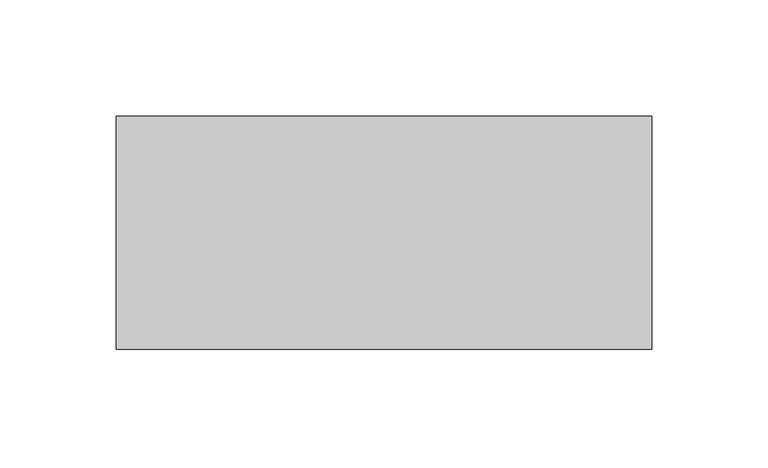
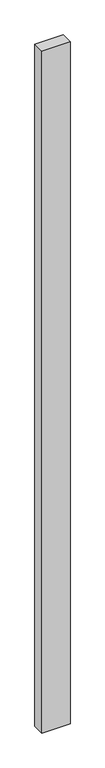
"""IFC4 building model written with IfcOpenShell, lengths in millimetres: proxy geometry."""

import ifcopenshell
import ifcopenshell.guid

model = None  # the IFC model being written
_history = None  # IfcOwnerHistory: only IFC2X3 demands one
_inside = {}  # id of a spatial element -> (the spatial element, [elements in it])
_under = {}  # id of a project, library or spatial element -> (it, [spatial elements below it])
_declared = {}  # id of a project -> (the project, [libraries it declares])
_typed = {}  # id of a type object -> (the type object, [elements of that type])
_made_of = {}  # id of a material, layer set ... -> (it, [elements and type objects made of it])


def new_model(schema):
    """Start an empty IFC model of exactly this schema.

    Asked for "IFC4X3", IfcOpenShell would pick the latest addendum, in which some entities
    have other attributes; the version numbers below select the first issue.
    IFC2X3 requires an IfcOwnerHistory on every rooted entity: one is made here for all.
    """
    global model, _history
    if schema == "IFC4X3":
        model = ifcopenshell.file(schema_version=(4, 3, 0, 0))
    else:
        model = ifcopenshell.file(schema=schema)
    _inside.clear()
    _under.clear()
    _declared.clear()
    _typed.clear()
    _made_of.clear()
    _history = None
    if model.schema == "IFC2X3":
        org = make("IfcOrganization", Name="unknown")
        user = make(
            "IfcPersonAndOrganization",
            ThePerson=make("IfcPerson", FamilyName="unknown"),
            TheOrganization=org,
        )
        app = make(
            "IfcApplication",
            ApplicationDeveloper=org,
            Version="unknown",
            ApplicationFullName="unknown",
            ApplicationIdentifier="unknown",
        )
        _history = make(
            "IfcOwnerHistory",
            OwningUser=user,
            OwningApplication=app,
            ChangeAction="ADDED",
            CreationDate=0,
        )
    return model


def make(cls, **values):
    """One entity of the class cls with the attributes given. An attribute that is None is left unset."""
    return model.create_entity(
        cls, **{name: value for name, value in values.items() if value is not None}
    )


def rooted(cls, **values):
    """An entity with a GlobalId (a new one), such as an element, a storey or a relation."""
    return make(cls, GlobalId=ifcopenshell.guid.new(), OwnerHistory=_history, **values)


def si_unit(unit_type, name, prefix=None):
    """IfcSIUnit, for example si_unit("LENGTHUNIT", "METRE", prefix="MILLI")."""
    return make("IfcSIUnit", UnitType=unit_type, Prefix=prefix, Name=name)


def assignment(units):
    """IfcUnitAssignment: the units of a project."""
    return None if units is None else make("IfcUnitAssignment", Units=units)


def point(xyz):
    """IfcCartesianPoint."""
    return None if xyz is None else make("IfcCartesianPoint", Coordinates=xyz)


def direction(xyz):
    """IfcDirection."""
    return None if xyz is None else make("IfcDirection", DirectionRatios=xyz)


def frame(location, z_axis=None, x_axis=None):
    """IfcAxis2Placement3D, a coordinate frame: its origin and axes. An axis left out is left unset."""
    return make(
        "IfcAxis2Placement3D",
        Location=point(location),
        Axis=direction(z_axis),
        RefDirection=direction(x_axis),
    )


def origin():
    """The frame at (0, 0, 0) with its axes left unset."""
    return frame((0.0, 0.0, 0.0))


def place(relative_to, where):
    """IfcLocalPlacement: puts the frame where relative to a parent placement (None: the world)."""
    return make(
        "IfcLocalPlacement", PlacementRelTo=relative_to, RelativePlacement=where
    )


def context(
    kind, dimensions, precision=None, world=None, true_north=None, identifier=None
):
    """IfcGeometricRepresentationContext, for example the 3D "Model" context."""
    return make(
        "IfcGeometricRepresentationContext",
        ContextIdentifier=identifier,
        ContextType=kind,
        CoordinateSpaceDimension=dimensions,
        Precision=precision,
        WorldCoordinateSystem=world,
        TrueNorth=true_north,
    )


def project(units=None, contexts=None):
    """IfcProject with its units and contexts."""
    return rooted(
        "IfcProject",
        Name="project",
        RepresentationContexts=contexts,
        UnitsInContext=assignment(units),
    )


def spatial(cls, under=None, at=None, **own):
    """A site, building, storey or space (cls), placed at a placement, below another one or the project."""
    s = rooted(cls, ObjectPlacement=at, **own)
    if under is not None:
        _under.setdefault(under.id(), (under, []))[1].append(s)
    return s


def polyline(points):
    """IfcPolyline through the points."""
    return make("IfcPolyline", Points=[point(p) for p in points])


def outline(outer, holes=None, kind="AREA"):
    """IfcArbitraryClosedProfileDef: a profile drawn as a closed curve; with holes, ...WithVoids."""
    if holes is None:
        return make("IfcArbitraryClosedProfileDef", ProfileType=kind, OuterCurve=outer)
    return make(
        "IfcArbitraryProfileDefWithVoids",
        ProfileType=kind,
        OuterCurve=outer,
        InnerCurves=holes,
    )


def extrude(swept, where, along, depth):
    """IfcExtrudedAreaSolid: the profile swept, set in the frame where, extruded along a direction by depth."""
    return make(
        "IfcExtrudedAreaSolid",
        SweptArea=swept,
        Position=where,
        ExtrudedDirection=direction(along),
        Depth=depth,
    )


def shape(context_of_items, identifier, shape_type, items):
    """IfcShapeRepresentation: the items that make up one representation, for example the "Body"."""
    return make(
        "IfcShapeRepresentation",
        ContextOfItems=context_of_items,
        RepresentationIdentifier=identifier,
        RepresentationType=shape_type,
        Items=items,
    )


def source(mapping_origin, context_of_items, identifier, shape_type, items):
    """IfcRepresentationMap: a shape defined once, which mapped items show again and again."""
    return make(
        "IfcRepresentationMap",
        MappingOrigin=mapping_origin,
        MappedRepresentation=shape(context_of_items, identifier, shape_type, items),
    )


def transform(
    local_origin,
    x_axis=None,
    y_axis=None,
    z_axis=None,
    scale=None,
    scale2=None,
    scale3=None,
    uniform=True,
):
    """IfcCartesianTransformationOperator3D, or its non-uniform kind. x_axis, y_axis, z_axis: its Axis1, 2, 3."""
    if uniform:
        return make(
            "IfcCartesianTransformationOperator3D",
            Axis1=direction(x_axis),
            Axis2=direction(y_axis),
            LocalOrigin=point(local_origin),
            Scale=scale,
            Axis3=direction(z_axis),
        )
    return make(
        "IfcCartesianTransformationOperator3DnonUniform",
        Axis1=direction(x_axis),
        Axis2=direction(y_axis),
        LocalOrigin=point(local_origin),
        Scale=scale,
        Axis3=direction(z_axis),
        Scale2=scale2,
        Scale3=scale3,
    )


def mapped(mapping_source, mapping_target):
    """IfcMappedItem: shows the shape of a source again, moved by a transform."""
    return make(
        "IfcMappedItem", MappingSource=mapping_source, MappingTarget=mapping_target
    )


def made_of(thing, what):
    """Note that an element or type object is made of a material, layer set ...; save() writes the relation."""
    if what is not None:
        _made_of.setdefault(what.id(), (what, []))[1].append(thing)
    return thing


def element(
    cls,
    number,
    at=None,
    inside=None,
    cuts=None,
    type_object=None,
    material=None,
    context=None,
    identifier="Body",
    shape_type=None,
    held_by="IfcProductDefinitionShape",
    body=None,
    shapes=None,
    **own,
):
    """One element of the class cls, such as IfcWall. Its Tag is "e" and its number.

    at: its placement. inside: the storey or other place that contains it. cuts: it is an
    opening in that element (IfcRelVoidsElement). A single representation is given by context,
    identifier, shape_type and body (its items); several are given by shapes. held_by: the class
    of the entity that holds the representations. save() writes the other relations.
    """
    e = rooted(cls, Tag="e%d" % number, ObjectPlacement=at, **own)
    if body is not None:
        shapes = [shape(context, identifier, shape_type, body)]
    if shapes is not None:
        e.Representation = make(held_by, Representations=shapes)
    if inside is not None:
        _inside.setdefault(inside.id(), (inside, []))[1].append(e)
    if cuts is not None:
        rooted(
            "IfcRelVoidsElement", RelatingBuildingElement=cuts, RelatedOpeningElement=e
        )
    if type_object is not None:
        _typed.setdefault(type_object.id(), (type_object, []))[1].append(e)
    return made_of(e, material)


def aggregate(whole, parts):
    """IfcRelAggregates: a whole, such as a stair, and the parts it consists of."""
    return rooted("IfcRelAggregates", RelatingObject=whole, RelatedObjects=parts)


def save(model, path):
    """Write the relations noted so far, then the file.

    IfcRelAggregates (storeys below a building ...), IfcRelContainedInSpatialStructure (elements
    in a storey), IfcRelDefinesByType, IfcRelAssociatesMaterial and IfcRelDeclares: one each for
    every whole, place, type object, material and project.
    """
    for whole, parts in _under.values():
        aggregate(whole, parts)
    for where, things in _inside.values():
        rooted(
            "IfcRelContainedInSpatialStructure",
            RelatedElements=things,
            RelatingStructure=where,
        )
    for kind, things in _typed.values():
        rooted("IfcRelDefinesByType", RelatedObjects=things, RelatingType=kind)
    for what, things in _made_of.values():
        rooted("IfcRelAssociatesMaterial", RelatedObjects=things, RelatingMaterial=what)
    for by, libraries in _declared.values():
        rooted("IfcRelDeclares", RelatingContext=by, RelatedDefinitions=libraries)
    model.write(path)


def generic_models_163302bb(model_context):
    return source(origin(), model_context, "Body", "SweptSolid", [
        extrude(outline(polyline([(230.0, 100.0), (230.0, 0.0), (0.0, 0.0), (0.0, 100.0), (230.0, 100.0)])), frame((0.0, 0.0, -5900.0), z_axis=(0.0, 0.0, 1.0), x_axis=(1.0, 0.0, 0.0)), (0.0, 0.0, 1.0), 5900.0),
    ])


if __name__ == "__main__":
    model = new_model("IFC4")
    model_context = context("Model", 3, world=origin())
    ifc_project = project(units=[si_unit("LENGTHUNIT", "METRE", prefix="MILLI")], contexts=[model_context])
    site = spatial("IfcSite", under=ifc_project)
    building = spatial("IfcBuilding", under=site)
    placement = place(None, origin())
    generic_models_shape = generic_models_163302bb(model_context)
    element("IfcBuildingElementProxy", 1, Name="Generic Models", at=placement, inside=building, context=model_context, shape_type="MappedRepresentation", body=[
        mapped(generic_models_shape, transform((0.0, 0.0, 0.0), x_axis=(1.0, 0.0, 0.0), y_axis=(0.0, 1.0, 0.0), z_axis=(0.0, 0.0, 1.0))),
    ])
    save(model, "model.ifc")
